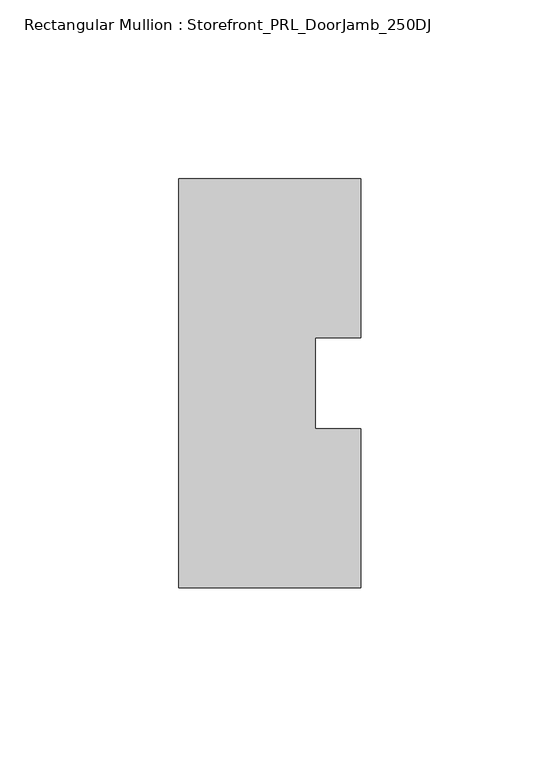
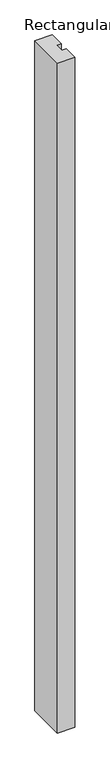
"""IFC4 building model written with IfcOpenShell, lengths in millimetres: member geometry, Rectangular Mullion : Storefront_PRL_DoorJamb_250DJ."""

from ifc_helpers import new_model, si_unit, frame, origin, place, context, project, spatial, polyline, outline, extrude, source, transform, mapped, element, save


def rectangular_mullion_storefront_prl_doorjamb_250dj_7c16814a(model_context):
    return source(origin(), model_context, "Body", "SweptSolid", [
        extrude(outline(polyline([(12.7, -12.7), (25.4, -12.7), (25.4, -57.15), (-25.4, -57.15), (-25.4, 57.15), (25.4, 57.15), (25.4, 12.7), (12.7, 12.7), (12.7, -12.7)])), frame((0.0, 0.0, -2072.48125), z_axis=(0.0, 0.0, 1.0), x_axis=(1.0, 0.0, 0.0)), (0.0, 0.0, 1.0), 2072.48125),
    ])


if __name__ == "__main__":
    model = new_model("IFC4")
    model_context = context("Model", 3, world=origin())
    ifc_project = project(units=[si_unit("LENGTHUNIT", "METRE", prefix="MILLI")], contexts=[model_context])
    site = spatial("IfcSite", under=ifc_project)
    building = spatial("IfcBuilding", under=site)
    placement = place(None, origin())
    rectangular_mullion_storefront_prl_doorjamb_250dj_shape = rectangular_mullion_storefront_prl_doorjamb_250dj_7c16814a(model_context)
    element("IfcMember", 1, ObjectType="Rectangular Mullion : Storefront_PRL_DoorJamb_250DJ", at=placement, inside=building, context=model_context, shape_type="MappedRepresentation", body=[
        mapped(rectangular_mullion_storefront_prl_doorjamb_250dj_shape, transform((0.0, 0.0, 0.0), x_axis=(1.0, 0.0, 0.0), y_axis=(0.0, 1.0, 0.0), z_axis=(0.0, 0.0, 1.0))),
    ])
    save(model, "model.ifc")
